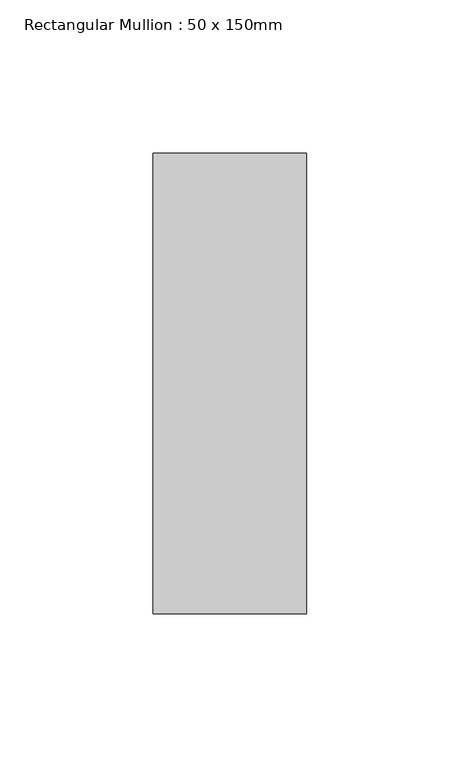
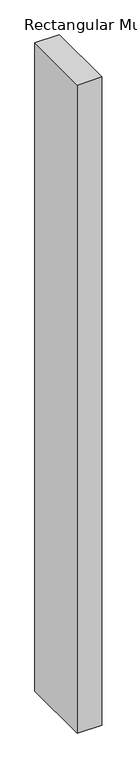
"""IFC4 building model written with IfcOpenShell, lengths in millimetres: member geometry, Rectangular Mullion : 50 x 150mm."""

from ifc_helpers import new_model, si_unit, frame, origin, place, context, project, spatial, polyline, outline, extrude, source, transform, mapped, element, save


def rectangular_mullion_50_x_150mm_7abf38e8(model_context):
    return source(origin(), model_context, "Body", "SweptSolid", [
        extrude(outline(polyline([(0.0, 75.0), (0.0, -75.0), (-50.0, -75.0), (-50.0, 75.0), (0.0, 75.0)])), frame((0.0, 0.0, -1403.3333333), z_axis=(0.0, 0.0, 1.0), x_axis=(1.0, 0.0, 0.0)), (0.0, 0.0, 1.0), 1403.3333333),
    ])


if __name__ == "__main__":
    model = new_model("IFC4")
    model_context = context("Model", 3, world=origin())
    ifc_project = project(units=[si_unit("LENGTHUNIT", "METRE", prefix="MILLI")], contexts=[model_context])
    site = spatial("IfcSite", under=ifc_project)
    building = spatial("IfcBuilding", under=site)
    placement = place(None, origin())
    rectangular_mullion_50_x_150mm_shape = rectangular_mullion_50_x_150mm_7abf38e8(model_context)
    element("IfcMember", 1, ObjectType="Rectangular Mullion : 50 x 150mm", at=placement, inside=building, context=model_context, shape_type="MappedRepresentation", body=[
        mapped(rectangular_mullion_50_x_150mm_shape, transform((0.0, 0.0, 0.0), x_axis=(1.0, 0.0, 0.0), y_axis=(0.0, 1.0, 0.0), z_axis=(0.0, 0.0, 1.0))),
    ])
    save(model, "model.ifc")
